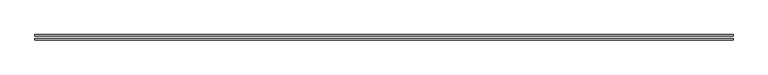
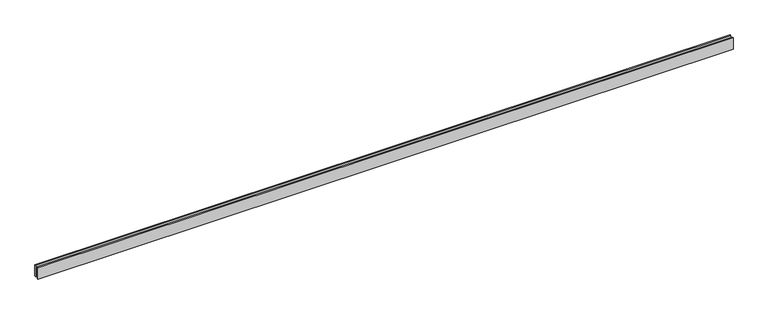
"""IFC4 building model written with IfcOpenShell, lengths in millimetres: proxy geometry."""

from ifc_helpers import new_model, si_unit, origin, origin_with_axes, place, context, project, spatial, polyline, outline, extrude, source, transform, mapped, element, save


def generic_models_133befbe(model_context):
    return source(origin(), model_context, "Body", "SweptSolid", [
        extrude(outline(polyline([(14424.2640687, -25.0), (14424.2640687, -55.0), (0.0, -55.0), (0.0, -25.0), (14424.2640687, -25.0)])), origin_with_axes(), (0.0, 0.0, 1.0), 250.0),
        extrude(outline(polyline([(14424.2640687, 55.0), (14424.2640687, 25.0), (0.0, 25.0), (0.0, 55.0), (14424.2640687, 55.0)])), origin_with_axes(), (0.0, 0.0, 1.0), 250.0),
    ])


if __name__ == "__main__":
    model = new_model("IFC4")
    model_context = context("Model", 3, world=origin())
    ifc_project = project(units=[si_unit("LENGTHUNIT", "METRE", prefix="MILLI")], contexts=[model_context])
    site = spatial("IfcSite", under=ifc_project)
    building = spatial("IfcBuilding", under=site)
    placement = place(None, origin())
    generic_models_shape = generic_models_133befbe(model_context)
    element("IfcBuildingElementProxy", 1, Name="Generic Models", at=placement, inside=building, context=model_context, shape_type="MappedRepresentation", body=[
        mapped(generic_models_shape, transform((0.0, 0.0, 0.0), x_axis=(1.0, 0.0, 0.0), y_axis=(0.0, 1.0, 0.0), z_axis=(0.0, 0.0, 1.0))),
    ])
    save(model, "model.ifc")
